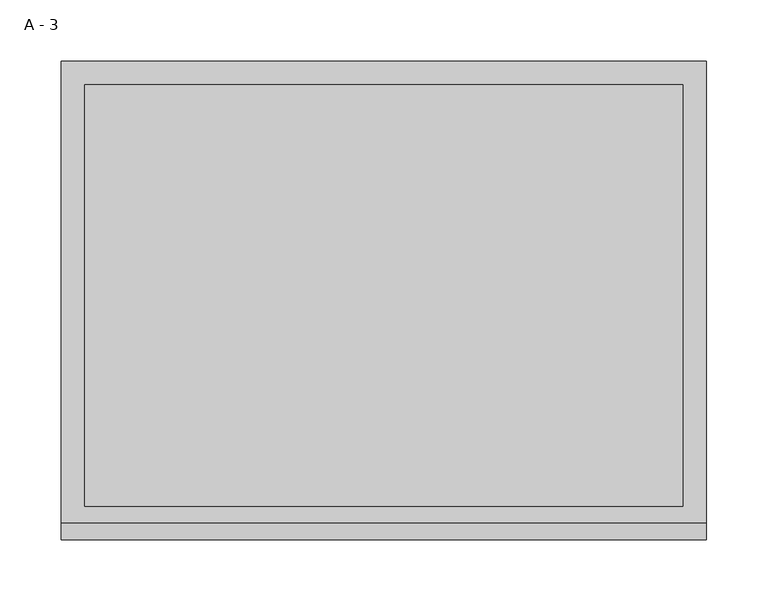
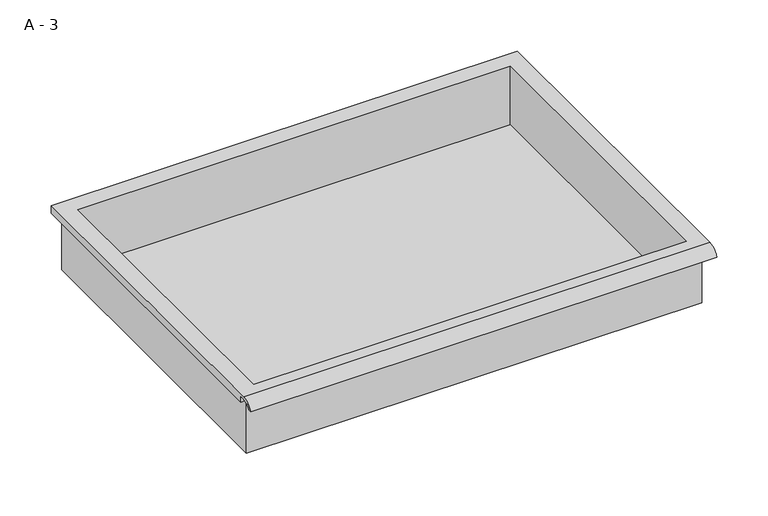
"""IFC4 building model written with IfcOpenShell, lengths in millimetres: furniture geometry, A - 3."""

from ifc_helpers import new_model, si_unit, frame, origin, place, context, project, spatial, polyline, circle_curve, source, transform, mapped, element, save
from ifc_brep_helpers import plane_surface, cylinder_surface, revolved_surface, advanced_brep


def a_3_4841ac85(model_context):
    return source(origin(), model_context, "Body", "AdvancedBrep", [
        advanced_brep(
        [(-257.1076517, -176.2125, 723.8111), (257.2423483, -176.2125, 723.8111), (257.2423483, -176.2125, 787.3111), (263.5923483, -176.2125, 787.3111), (263.5923483, -176.2125, 793.6182341), (-263.4576517, -176.2125, 793.6182341), (-263.4576517, -176.2125, 787.3111), (-257.1076517, -176.2125, 787.3111), (257.2423483, 185.7375, 723.8111), (-257.1076517, 185.7375, 723.8111), (-257.1076517, 185.7375, 787.3111), (257.2423483, 185.7375, 787.3111), (263.5923483, -181.6070544, 796.8361), (263.5923483, 195.2625, 796.8361), (-263.4576517, 195.2625, 796.8361), (-263.4576517, -181.6070544, 796.8361), (244.5423483, -168.275, 796.8361), (-244.4076517, -168.275, 796.8361), (-244.4076517, 176.2125, 796.8361), (244.5423483, 176.2125, 796.8361), (263.5923483, -195.2625, 787.3111), (263.5923483, -191.8280601, 787.3111), (263.5923483, -180.4714815, 793.6182341), (263.5923483, 195.2625, 787.3111), (-263.4576517, 195.2625, 787.3111), (-263.4576517, -180.4714815, 793.6182341), (-263.4576517, -191.8280601, 787.3111), (-263.4576517, -195.2625, 787.3111), (-244.4076517, -168.275, 726.8372719), (244.5423483, -168.275, 726.8372719), (244.5423483, 176.2125, 726.8372719), (-244.4076517, 176.2125, 726.8372719)],
        [
            (0, 1),
            (1, 2),
            (2, 3),
            (3, 4),
            (4, 5),
            (5, 6),
            (6, 7),
            (7, 0),
            (8, 9),
            (9, 10),
            (10, 11),
            (11, 8),
            (0, 9),
            (8, 1),
            (11, 2),
            (12, 13),
            (13, 14),
            (14, 15),
            (15, 12),
            (16, 17),
            (17, 18),
            (18, 19),
            (19, 16),
            (7, 10),
            (12, 20, circle_curve(frame((263.5923483, -181.6070544, 782.2850859), z_axis=(1.0, 0.0, 0.0), x_axis=(0.0, 1.0, 0.0)), 14.5510141)),
            (20, 21),
            (21, 22, circle_curve(frame((263.5923483, -181.6070544, 782.2850859), z_axis=(-1.0, 0.0, 0.0), x_axis=(0.0, 1.0, 0.0)), 11.3898979)),
            (22, 4),
            (3, 23),
            (23, 13),
            (14, 24),
            (24, 6),
            (5, 25),
            (25, 26, circle_curve(frame((-263.4576517, -181.6070544, 782.2850859), z_axis=(1.0, 0.0, 0.0), x_axis=(0.0, 1.0, 0.0)), 11.3898979)),
            (26, 27),
            (27, 15, circle_curve(frame((-263.4576517, -181.6070544, 782.2850859), z_axis=(-1.0, 0.0, 0.0), x_axis=(0.0, 1.0, 0.0)), 14.5510141)),
            (27, 20),
            (26, 21),
            (25, 22),
            (24, 23),
            (28, 29),
            (29, 30),
            (30, 31),
            (31, 28),
            (28, 17),
            (16, 29),
            (19, 30),
            (18, 31),
        ],
        [
            plane_surface(frame((257.2423483, -176.2125, 723.8111), z_axis=(0.0, -1.0, 0.0), x_axis=(1.0, 0.0, 0.0))),
            plane_surface(frame((257.2423483, 185.7375, 723.8111), z_axis=(0.0, 1.0, 0.0), x_axis=(-1.0, 0.0, 0.0))),
            plane_surface(frame((-257.1076517, -176.2125, 723.8111), z_axis=(0.0, 0.0, -1.0), x_axis=(0.0, 1.0, 0.0))),
            plane_surface(frame((257.2423483, -176.2125, 723.8111), z_axis=(1.0, 0.0, 0.0), x_axis=(0.0, 1.0, 0.0))),
            plane_surface(frame((257.2423483, -176.2125, 796.8361), z_axis=(0.0, 0.0, 1.0), x_axis=(0.0, 1.0, 0.0))),
            plane_surface(frame((-257.1076517, -176.2125, 796.8361), z_axis=(-1.0, 0.0, 0.0), x_axis=(0.0, 1.0, 0.0))),
            plane_surface(frame((263.5923483, 195.2625, 796.8361), z_axis=(1.0, 0.0, 0.0), x_axis=(0.0, -1.0, 0.0))),
            plane_surface(frame((-263.4576517, 195.2625, 796.8361), z_axis=(-1.0, 0.0, 0.0), x_axis=(0.0, 1.0, 0.0))),
            cylinder_surface(frame((-263.4576517, -181.6070544, 782.2850859), z_axis=(1.0, 0.0, 0.0), x_axis=(0.0, 1.0, 0.0)), 14.5510141),
            plane_surface(frame((263.5923483, -195.2625, 787.3111), z_axis=(0.0, -7.291233251777e-12, -1.0), x_axis=(-1.0, 0.0, 0.0))),
            revolved_surface(polyline([(-263.4576517, -170.21715650000002, 782.2850859), (263.59234829999997, -170.21715650000002, 782.2850859)]), (-263.4576517, -181.6070544, 782.2850859), (-1.0, 0.0, 0.0)),
            plane_surface(frame((263.5923483, -180.4714815, 793.6182341), z_axis=(0.0, -1.8020319608165646e-11, -1.0), x_axis=(-1.0, 0.0, 0.0))),
            plane_surface(frame((263.5923483, -176.2125, 787.3111), z_axis=(0.0, 0.0, -1.0), x_axis=(-1.0, 0.0, 0.0))),
            plane_surface(frame((263.5923483, 195.2625, 787.3111), z_axis=(0.0, 1.0, 0.0), x_axis=(-1.0, 0.0, 0.0))),
            plane_surface(frame((244.5423483, -168.275, 726.8372719), z_axis=(0.0, 0.0, 1.0), x_axis=(-1.0, 0.0, 0.0))),
            plane_surface(frame((-244.4076517, -168.275, 796.8361), z_axis=(0.0, 1.0, 0.0), x_axis=(0.0, 0.0, -1.0))),
            plane_surface(frame((244.5423483, -168.275, 796.8361), z_axis=(-1.0, 0.0, 0.0), x_axis=(0.0, 0.0, -1.0))),
            plane_surface(frame((244.5423483, 176.2125, 796.8361), z_axis=(0.0, -1.0, 0.0), x_axis=(0.0, 0.0, -1.0))),
            plane_surface(frame((-244.4076517, 176.2125, 796.8361), z_axis=(1.0, 0.0, 0.0), x_axis=(0.0, 0.0, -1.0))),
        ],
        [
            (0, [[1, 2, 3, 4, 5, 6, 7, 8]]),
            (1, [[9, 10, 11, 12]]),
            (2, [[-1, 13, -9, 14]]),
            (3, [[-14, -12, 15, -2]]),
            (4, [[16, 17, 18, 19], [20, 21, 22, 23]]),
            (5, [[-13, -8, 24, -10]]),
            (6, [[-16, 25, 26, 27, 28, -4, 29, 30]]),
            (7, [[31, 32, -6, 33, 34, 35, 36, -18]]),
            (8, [[-25, -19, -36, 37]]),
            (9, [[-26, -37, -35, 38]]),
            (10, [[-27, -38, -34, 39]]),
            (11, [[-28, -39, -33, -5]]),
            (12, [[-29, -3, -15, -11, -24, -7, -32, 40]]),
            (13, [[-30, -40, -31, -17]]),
            (14, [[41, 42, 43, 44]]),
            (15, [[-41, 45, -20, 46]]),
            (16, [[-42, -46, -23, 47]]),
            (17, [[-43, -47, -22, 48]]),
            (18, [[-44, -48, -21, -45]]),
        ],
    ),
    ])


if __name__ == "__main__":
    model = new_model("IFC4")
    model_context = context("Model", 3, world=origin())
    ifc_project = project(units=[si_unit("LENGTHUNIT", "METRE", prefix="MILLI")], contexts=[model_context])
    site = spatial("IfcSite", under=ifc_project)
    building = spatial("IfcBuilding", under=site)
    placement = place(None, origin())
    a_3_shape = a_3_4841ac85(model_context)
    element("IfcFurniture", 1, ObjectType="A - 3", at=placement, inside=building, context=model_context, shape_type="MappedRepresentation", body=[
        mapped(a_3_shape, transform((0.0, 0.0, 0.0), x_axis=(1.0, 0.0, 0.0), y_axis=(0.0, 1.0, 0.0), z_axis=(0.0, 0.0, 1.0))),
    ])
    save(model, "model.ifc")
